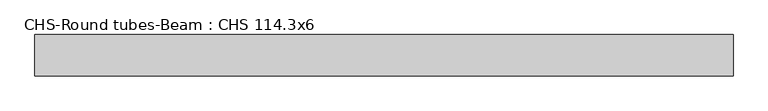
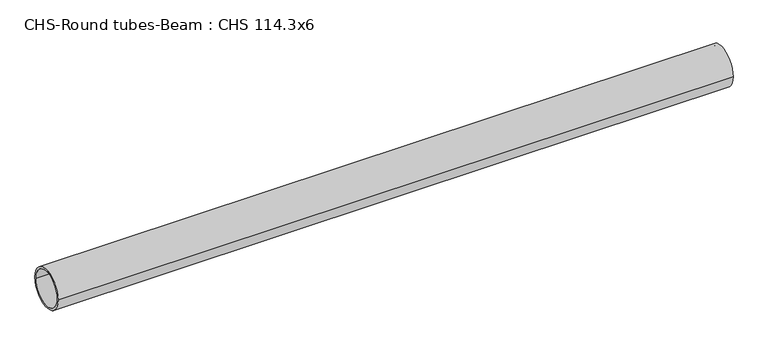
"""IFC4 building model written with IfcOpenShell, lengths in millimetres: beam geometry, CHS-Round tubes-Beam : CHS 114.3x6."""

from ifc_helpers import new_model, si_unit, point, frame, origin, origin_2d, place, context, project, spatial, circle_curve, trimmed, segment, composite_curve, outline, extrude, source, transform, mapped, element, save


def chs_round_tubes_beam_chs_114_3x6_31c5e09f(model_context):
    return source(origin(), model_context, "Body", "SweptSolid", [
        extrude(outline(composite_curve([segment(trimmed(circle_curve(origin_2d(), 57.15), [point((57.15, 0.0))], [point((-57.15, 0.0))], False, "CARTESIAN"), True, "CONTINUOUS"), segment(trimmed(circle_curve(origin_2d(), 57.15), [point((-57.15, 0.0))], [point((57.15, 0.0))], False, "CARTESIAN"), True, "CONTINUOUS")], self_intersect=False), holes=[composite_curve([segment(trimmed(circle_curve(origin_2d(), 51.15), [point((51.15, 0.0))], [point((-51.15, 0.0))], True, "CARTESIAN"), True, "CONTINUOUS"), segment(trimmed(circle_curve(origin_2d(), 51.15), [point((-51.15, 0.0))], [point((51.15, 0.0))], True, "CARTESIAN"), True, "CONTINUOUS")], self_intersect=False)]), frame((-917.1324175, 0.0, 0.0), z_axis=(1.0, 0.0, 0.0), x_axis=(0.0, 1.0, 0.0)), (0.0, 0.0, 1.0), 1927.0972965),
    ])


if __name__ == "__main__":
    model = new_model("IFC4")
    model_context = context("Model", 3, world=origin())
    ifc_project = project(units=[si_unit("LENGTHUNIT", "METRE", prefix="MILLI")], contexts=[model_context])
    site = spatial("IfcSite", under=ifc_project)
    building = spatial("IfcBuilding", under=site)
    placement = place(None, origin())
    chs_round_tubes_beam_chs_114_3x6_shape = chs_round_tubes_beam_chs_114_3x6_31c5e09f(model_context)
    element("IfcBeam", 1, ObjectType="CHS-Round tubes-Beam : CHS 114.3x6", at=placement, inside=building, context=model_context, shape_type="MappedRepresentation", body=[
        mapped(chs_round_tubes_beam_chs_114_3x6_shape, transform((0.0, 0.0, 0.0), x_axis=(1.0, 0.0, 0.0), y_axis=(0.0, 1.0, 0.0), z_axis=(0.0, 0.0, 1.0))),
    ])
    save(model, "model.ifc")
